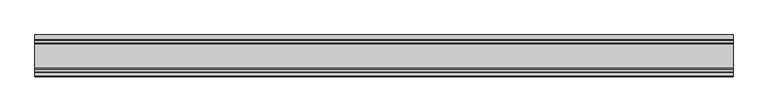
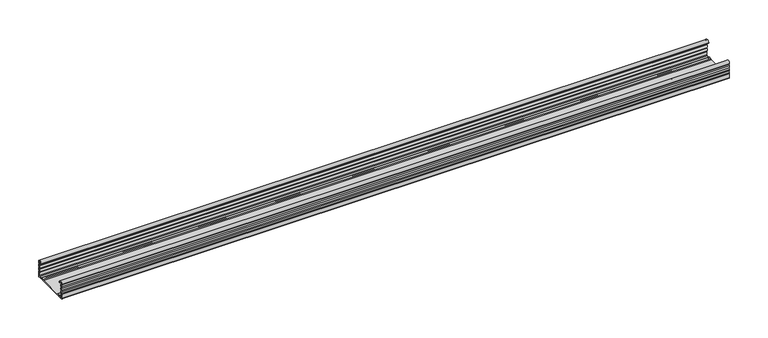
"""IFC4 building model written with IfcOpenShell, lengths in millimetres: proxy geometry."""

from ifc_helpers import new_model, si_unit, point, frame, frame_2d, origin, place, context, project, spatial, polyline, circle_curve, trimmed, segment, composite_curve, outline, extrude, source, transform, mapped, element, save


def generic_models_966696f4(model_context):
    return source(origin(), model_context, "Body", "SweptSolid", [
        extrude(outline(composite_curve([segment(trimmed(circle_curve(frame_2d((30.75, 21.1911057)), 1.95), [point((29.424, 22.6208693))], [point((29.424, 19.7613421))], True, "CARTESIAN"), True, "CONTINUOUS"), segment(trimmed(circle_curve(frame_2d((28.2, 18.4415603)), 1.8), [point((29.424, 19.7613421))], [point((29.6853338, 17.4248088))], False, "CARTESIAN"), True, "CONTINUOUS"), segment(trimmed(circle_curve(frame_2d((30.75, 15.7911057)), 1.95), [point((29.6853338, 17.4248088))], [point((29.6853338, 14.1574026))], True, "CARTESIAN"), True, "CONTINUOUS"), segment(trimmed(circle_curve(frame_2d((28.2, 13.1406511)), 1.8), [point((29.6853338, 14.1574026))], [point((29.424, 11.8208693))], False, "CARTESIAN"), True, "CONTINUOUS"), segment(trimmed(circle_curve(frame_2d((30.75, 10.3911057)), 1.95), [point((29.424, 11.8208693))], [point((29.424, 8.9613421))], True, "CARTESIAN"), True, "CONTINUOUS"), segment(trimmed(circle_curve(frame_2d((28.2, 7.6415603)), 1.8), [point((29.424, 8.9613421))], [point((30.0, 7.6415603))], False, "CARTESIAN"), True, "CONTINUOUS"), segment(polyline([(30.0, 7.6415603), (30.0, 1.2)]), True, "CONTINUOUS"), segment(trimmed(circle_curve(frame_2d((28.8, 1.2)), 1.2), [point((30.0, 1.2))], [point((28.8, 0.0))], False, "CARTESIAN"), True, "CONTINUOUS"), segment(polyline([(28.8, 0.0), (23.4819519, 0.0)]), True, "CONTINUOUS"), segment(trimmed(circle_curve(frame_2d((23.4819519, 1.8)), 1.8), [point((23.4819519, 0.0))], [point((22.1621701, 0.576))], False, "CARTESIAN"), True, "CONTINUOUS"), segment(trimmed(circle_curve(frame_2d((20.7324065, -0.75)), 1.95), [point((22.1621701, 0.576))], [point((19.3026429, 0.576))], True, "CARTESIAN"), True, "CONTINUOUS"), segment(trimmed(circle_curve(frame_2d((17.9828611, 1.8)), 1.8), [point((19.3026429, 0.576))], [point((17.9828611, 0.0))], False, "CARTESIAN"), True, "CONTINUOUS"), segment(polyline([(17.9828611, 0.0), (-17.9828611, 0.0)]), True, "CONTINUOUS"), segment(trimmed(circle_curve(frame_2d((-17.9828611, 1.8)), 1.8), [point((-17.9828611, 0.0))], [point((-19.3026429, 0.576))], False, "CARTESIAN"), True, "CONTINUOUS"), segment(trimmed(circle_curve(frame_2d((-20.7324065, -0.75)), 1.95), [point((-19.3026429, 0.576))], [point((-22.1621701, 0.576))], True, "CARTESIAN"), True, "CONTINUOUS"), segment(trimmed(circle_curve(frame_2d((-23.4819519, 1.8)), 1.8), [point((-22.1621701, 0.576))], [point((-23.4819519, 0.0))], False, "CARTESIAN"), True, "CONTINUOUS"), segment(polyline([(-23.4819519, 0.0), (-28.8, 0.0)]), True, "CONTINUOUS"), segment(trimmed(circle_curve(frame_2d((-28.8, 1.2)), 1.2), [point((-28.8, 0.0))], [point((-30.0, 1.2))], False, "CARTESIAN"), True, "CONTINUOUS"), segment(polyline([(-30.0, 1.2), (-30.0, 7.6415603)]), True, "CONTINUOUS"), segment(trimmed(circle_curve(frame_2d((-28.2, 7.6415603)), 1.8), [point((-30.0, 7.6415603))], [point((-29.424, 8.9613421))], False, "CARTESIAN"), True, "CONTINUOUS"), segment(trimmed(circle_curve(frame_2d((-30.75, 10.3911057)), 1.95), [point((-29.424, 8.9613421))], [point((-29.424, 11.8208693))], True, "CARTESIAN"), True, "CONTINUOUS"), segment(trimmed(circle_curve(frame_2d((-28.2, 13.1406511)), 1.8), [point((-29.424, 11.8208693))], [point((-29.6853338, 14.1574026))], False, "CARTESIAN"), True, "CONTINUOUS"), segment(trimmed(circle_curve(frame_2d((-30.75, 15.7911057)), 1.95), [point((-29.6853338, 14.1574026))], [point((-29.6853338, 17.4248088))], True, "CARTESIAN"), True, "CONTINUOUS"), segment(trimmed(circle_curve(frame_2d((-28.2, 18.4415603)), 1.8), [point((-29.6853338, 17.4248088))], [point((-29.424, 19.7613421))], False, "CARTESIAN"), True, "CONTINUOUS"), segment(trimmed(circle_curve(frame_2d((-30.75, 21.1911057)), 1.95), [point((-29.424, 19.7613421))], [point((-29.424, 22.6208693))], True, "CARTESIAN"), True, "CONTINUOUS"), segment(trimmed(circle_curve(frame_2d((-28.2, 23.9406511)), 1.8), [point((-29.424, 22.6208693))], [point((-29.9990651, 23.8826448))], False, "CARTESIAN"), True, "CONTINUOUS"), segment(trimmed(circle_curve(frame_2d((-26.8817099, 23.8826448)), 3.1173552), [point((-29.9990651, 23.8826448))], [point((-23.7643548, 23.8826448))], False, "CARTESIAN"), True, "CONTINUOUS"), segment(polyline([(-23.7643548, 23.8826448), (-23.7643548, 23.0407729), (-24.9643548, 23.0407729), (-24.9643548, 23.8826448)]), True, "CONTINUOUS"), segment(trimmed(circle_curve(frame_2d((-26.8817099, 23.8826448)), 1.9173552), [point((-24.9643548, 23.8826448))], [point((-28.7514388, 24.3073386))], True, "CARTESIAN"), True, "CONTINUOUS"), segment(trimmed(circle_curve(frame_2d((-27.7762784, 24.0858388)), 1.0), [point((-28.7514388, 24.3073386))], [point((-28.4928378, 23.3883128))], True, "CARTESIAN"), True, "CONTINUOUS"), segment(trimmed(circle_curve(frame_2d((-30.75, 21.1911057)), 3.15), [point((-28.4928378, 23.3883128))], [point((-28.3578316, 19.1417081))], False, "CARTESIAN"), True, "CONTINUOUS"), segment(trimmed(circle_curve(frame_2d((-27.5984131, 18.4911057)), 1.0), [point((-28.3578316, 19.1417081))], [point((-28.3578316, 17.8405033))], True, "CARTESIAN"), True, "CONTINUOUS"), segment(trimmed(circle_curve(frame_2d((-30.75, 15.7911057)), 3.15), [point((-28.3578316, 17.8405033))], [point((-28.3578316, 13.7417081))], False, "CARTESIAN"), True, "CONTINUOUS"), segment(trimmed(circle_curve(frame_2d((-27.5984131, 13.0911057)), 1.0), [point((-28.3578316, 13.7417081))], [point((-28.3578316, 12.4405033))], True, "CARTESIAN"), True, "CONTINUOUS"), segment(trimmed(circle_curve(frame_2d((-30.75, 10.3911057)), 3.15), [point((-28.3578316, 12.4405033))], [point((-28.3339806, 8.3698808))], False, "CARTESIAN"), True, "CONTINUOUS"), segment(trimmed(circle_curve(frame_2d((-26.8, 7.0865634)), 2.0), [point((-28.3339806, 8.3698808))], [point((-28.8, 7.0865634))], True, "CARTESIAN"), True, "CONTINUOUS"), segment(polyline([(-28.8, 7.0865634), (-28.8, 2.4)]), True, "CONTINUOUS"), segment(trimmed(circle_curve(frame_2d((-27.6, 2.4)), 1.2), [point((-28.8, 2.4))], [point((-27.6, 1.2))], True, "CARTESIAN"), True, "CONTINUOUS"), segment(polyline([(-27.6, 1.2), (-24.382064, 1.2)]), True, "CONTINUOUS"), segment(trimmed(circle_curve(frame_2d((-24.382064, 4.2)), 3.0), [point((-24.382064, 1.2))], [point((-22.6017433, 1.7853659))], True, "CARTESIAN"), True, "CONTINUOUS"), segment(trimmed(circle_curve(frame_2d((-20.7324065, -0.75)), 3.15), [point((-22.6017433, 1.7853659))], [point((-18.8630697, 1.7853659))], False, "CARTESIAN"), True, "CONTINUOUS"), segment(trimmed(circle_curve(frame_2d((-17.082749, 4.2)), 3.0), [point((-18.8630697, 1.7853659))], [point((-17.082749, 1.2))], True, "CARTESIAN"), True, "CONTINUOUS"), segment(polyline([(-17.082749, 1.2), (17.082749, 1.2)]), True, "CONTINUOUS"), segment(trimmed(circle_curve(frame_2d((17.082749, 4.2)), 3.0), [point((17.082749, 1.2))], [point((18.8630697, 1.7853659))], True, "CARTESIAN"), True, "CONTINUOUS"), segment(trimmed(circle_curve(frame_2d((20.7324065, -0.75)), 3.15), [point((18.8630697, 1.7853659))], [point((22.6017433, 1.7853659))], False, "CARTESIAN"), True, "CONTINUOUS"), segment(trimmed(circle_curve(frame_2d((24.382064, 4.2)), 3.0), [point((22.6017433, 1.7853659))], [point((24.382064, 1.2))], True, "CARTESIAN"), True, "CONTINUOUS"), segment(polyline([(24.382064, 1.2), (27.6182196, 1.2)]), True, "CONTINUOUS"), segment(trimmed(circle_curve(frame_2d((27.6182196, 2.3817804)), 1.1817804), [point((27.6182196, 1.2))], [point((28.8, 2.3817804))], True, "CARTESIAN"), True, "CONTINUOUS"), segment(polyline([(28.8, 2.3817804), (28.8, 7.0865634)]), True, "CONTINUOUS"), segment(trimmed(circle_curve(frame_2d((26.8, 7.0865634)), 2.0), [point((28.8, 7.0865634))], [point((28.3339806, 8.3698808))], True, "CARTESIAN"), True, "CONTINUOUS"), segment(trimmed(circle_curve(frame_2d((30.75, 10.3911057)), 3.15), [point((28.3339806, 8.3698808))], [point((28.3578316, 12.4405033))], False, "CARTESIAN"), True, "CONTINUOUS"), segment(trimmed(circle_curve(frame_2d((27.5984131, 13.0911057)), 1.0), [point((28.3578316, 12.4405033))], [point((28.3578316, 13.7417081))], True, "CARTESIAN"), True, "CONTINUOUS"), segment(trimmed(circle_curve(frame_2d((30.75, 15.7911057)), 3.15), [point((28.3578316, 13.7417081))], [point((28.3578316, 17.8405033))], False, "CARTESIAN"), True, "CONTINUOUS"), segment(trimmed(circle_curve(frame_2d((27.5984131, 18.4911057)), 1.0), [point((28.3578316, 17.8405033))], [point((28.3578316, 19.1417081))], True, "CARTESIAN"), True, "CONTINUOUS"), segment(trimmed(circle_curve(frame_2d((30.75, 21.1911057)), 3.15), [point((28.3578316, 19.1417081))], [point((28.4928378, 23.3883128))], False, "CARTESIAN"), True, "CONTINUOUS"), segment(trimmed(circle_curve(frame_2d((27.7762784, 24.0858388)), 1.0), [point((28.4928378, 23.3883128))], [point((28.7514388, 24.3073386))], True, "CARTESIAN"), True, "CONTINUOUS"), segment(trimmed(circle_curve(frame_2d((26.8817099, 23.8826448)), 1.9173552), [point((28.7514388, 24.3073386))], [point((24.9643548, 23.8826448))], True, "CARTESIAN"), True, "CONTINUOUS"), segment(polyline([(24.9643548, 23.8826448), (24.9643548, 23.0407729), (23.7643548, 23.0407729), (23.7643548, 23.8826448)]), True, "CONTINUOUS"), segment(trimmed(circle_curve(frame_2d((26.8817099, 23.8826448)), 3.1173552), [point((23.7643548, 23.8826448))], [point((29.9990651, 23.8826448))], False, "CARTESIAN"), True, "CONTINUOUS"), segment(trimmed(circle_curve(frame_2d((28.2, 23.9406511)), 1.8), [point((29.9990651, 23.8826448))], [point((29.424, 22.6208693))], False, "CARTESIAN"), True, "CONTINUOUS")], self_intersect=False)), frame((-499.4782087, 0.0, 0.0), z_axis=(1.0, 0.0, 0.0), x_axis=(0.0, 1.0, 0.0)), (0.0, 0.0, 1.0), 998.9564175),
    ])


if __name__ == "__main__":
    model = new_model("IFC4")
    model_context = context("Model", 3, world=origin())
    ifc_project = project(units=[si_unit("LENGTHUNIT", "METRE", prefix="MILLI")], contexts=[model_context])
    site = spatial("IfcSite", under=ifc_project)
    building = spatial("IfcBuilding", under=site)
    placement = place(None, origin())
    generic_models_shape = generic_models_966696f4(model_context)
    element("IfcBuildingElementProxy", 1, Name="Generic Models", at=placement, inside=building, context=model_context, shape_type="MappedRepresentation", body=[
        mapped(generic_models_shape, transform((0.0, 0.0, 0.0), x_axis=(1.0, 0.0, 0.0), y_axis=(0.0, 1.0, 0.0), z_axis=(0.0, 0.0, 1.0))),
    ])
    save(model, "model.ifc")
